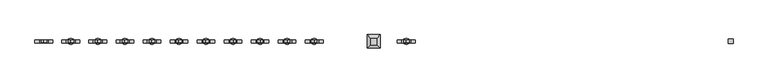
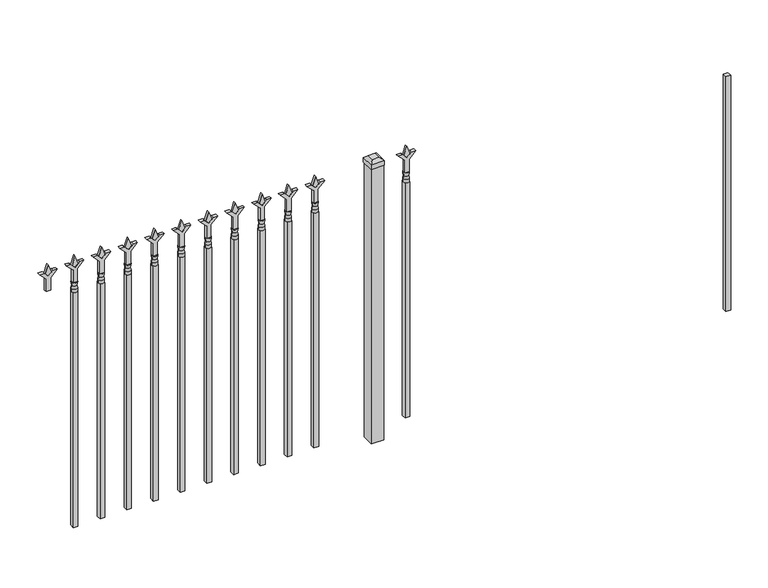
"""IFC4 building model written with IfcOpenShell, lengths in millimetres: railing geometry."""

from ifc_helpers import new_model, si_unit, frame, origin, origin_with_axes, place, context, project, spatial, polyline, circle_curve, outline, extrude, faceted_brep, source, transform, mapped, element, save
from ifc_brep_helpers import plane_surface, cylinder_surface, revolved_surface, advanced_brep


def railing_3109b3a9(model_context):
    return source(origin(), model_context, "Body", "SolidModel", [
        extrude(outline(polyline([(-76625.005587, 5470.2679826), (-76605.955587, 5470.2679826), (-76605.955587, 5451.2179826), (-76625.005587, 5451.2179826), (-76625.005587, 5470.2679826)])), frame((0.0, 0.0, 50.8), z_axis=(0.0, 0.0, 1.0), x_axis=(1.0, 0.0, 0.0)), (0.0, 0.0, 1.0), 1016.0),
        extrude(outline(polyline([(1183.48125, -77914.849337), (1219.2, -77926.755587), (1183.48125, -77938.661837), (1171.575, -77926.755587), (1183.48125, -77914.849337)])), frame((0.0, 5455.9804826, 0.0), z_axis=(0.0, 1.0, 0.0), x_axis=(0.0, 0.0, 1.0)), (0.0, 0.0, 1.0), 9.525),
        extrude(outline(polyline([(1108.075, -77918.024337), (1162.3457378, -77918.024337), (1189.5355122, -77890.8345625), (1189.5355122, -77908.7950747), (1171.575, -77926.755587), (1189.5355122, -77944.7160992), (1189.5355122, -77962.6766114), (1162.3457378, -77935.486837), (1108.075, -77935.486837), (1108.075, -77918.024337)])), frame((0.0, 5454.3929826, 0.0), z_axis=(0.0, 1.0, 0.0), x_axis=(0.0, 0.0, 1.0)), (0.0, 0.0, 1.0), 12.7),
        advanced_brep(
        [(-77914.849337, 5460.7429826, 1079.5), (-77938.661837, 5460.7429826, 1079.5), (-77938.661837, 5460.7429826, 1066.8), (-77914.849337, 5460.7429826, 1066.8), (-77917.0546688, 5460.7429826, 1092.0070585), (-77936.4565051, 5460.7429826, 1092.0070585), (-77914.849337, 5460.7429826, 1108.075), (-77938.661837, 5460.7429826, 1108.075), (-77926.755587, 5460.7429826, 1108.075), (-77926.755587, 5460.7429826, 1066.8)],
        [
            (0, 1, circle_curve(frame((-77926.755587, 5460.7429826, 1079.5), z_axis=(0.0, 0.0, -1.0), x_axis=(-1.0, 0.0, 0.0)), 11.90625)),
            (1, 2),
            (2, 3, circle_curve(frame((-77926.755587, 5460.7429826, 1066.8), z_axis=(0.0, 0.0, 1.0), x_axis=(-1.0, 0.0, 0.0)), 11.90625)),
            (3, 0),
            (1, 0, circle_curve(frame((-77926.755587, 5460.7429826, 1079.5), z_axis=(0.0, 0.0, -1.0), x_axis=(-1.0, 0.0, 0.0)), 11.90625)),
            (3, 2, circle_curve(frame((-77926.755587, 5460.7429826, 1066.8), z_axis=(0.0, 0.0, 1.0), x_axis=(-1.0, 0.0, 0.0)), 11.90625)),
            (4, 5, circle_curve(frame((-77926.755587, 5460.7429826, 1092.0070585), z_axis=(0.0, 0.0, -1.0), x_axis=(-1.0, 0.0, 0.0)), 9.7009181)),
            (5, 1),
            (0, 4),
            (5, 4, circle_curve(frame((-77926.755587, 5460.7429826, 1092.0070585), z_axis=(0.0, 0.0, -1.0), x_axis=(-1.0, 0.0, 0.0)), 9.7009181)),
            (6, 7, circle_curve(frame((-77926.755587, 5460.7429826, 1108.075), z_axis=(0.0, 0.0, -1.0), x_axis=(-1.0, 0.0, 0.0)), 11.90625)),
            (7, 5),
            (4, 6),
            (7, 6, circle_curve(frame((-77926.755587, 5460.7429826, 1108.075), z_axis=(0.0, 0.0, -1.0), x_axis=(-1.0, 0.0, 0.0)), 11.90625)),
            (8, 7),
            (6, 8),
            (2, 9),
            (9, 3),
        ],
        [
            cylinder_surface(frame((-77926.755587, 5460.7429826, 1066.8), z_axis=(0.0, 0.0, 1.0), x_axis=(-1.0, 0.0, 0.0)), 11.90625),
            revolved_surface(polyline([(-77938.661837, 5460.7429826, 1079.5), (-77936.4565051, 5460.7429826, 1092.0070585)]), (-77926.755587, 5460.7429826, 1066.8), (0.0, 0.0, 1.0)),
            revolved_surface(polyline([(-77936.4565051, 5460.7429826, 1092.0070585), (-77938.661837, 5460.7429826, 1108.075)]), (-77926.755587, 5460.7429826, 1066.8), (0.0, 0.0, 1.0)),
            plane_surface(frame((-77926.755587, 5460.7429826, 1108.075), z_axis=(0.0, 0.0, 1.0), x_axis=(-1.0, 0.0, 0.0))),
            plane_surface(frame((-77926.755587, 5460.7429826, 1066.8), z_axis=(0.0, 0.0, -1.0), x_axis=(-1.0, 0.0, 0.0))),
        ],
        [
            (0, [[1, 2, 3, 4]]),
            (0, [[5, -4, 6, -2]]),
            (1, [[7, 8, -1, 9]]),
            (1, [[10, -9, -5, -8]]),
            (2, [[11, 12, -7, 13]]),
            (2, [[14, -13, -10, -12]]),
            (3, [[15, -11, 16]]),
            (3, [[-16, -14, -15]]),
            (4, [[-3, 17, 18]]),
            (4, [[-6, -18, -17]]),
        ],
    ),
        extrude(outline(polyline([(-77936.280587, 5470.2679826), (-77917.230587, 5470.2679826), (-77917.230587, 5451.2179826), (-77936.280587, 5451.2179826), (-77936.280587, 5470.2679826)])), frame((0.0, 0.0, 50.8), z_axis=(0.0, 0.0, 1.0), x_axis=(1.0, 0.0, 0.0)), (0.0, 0.0, 1.0), 1016.0),
        extrude(outline(polyline([(-78033.118087, 5486.1429826), (-78033.118087, 5435.3429826), (-78083.918087, 5435.3429826), (-78083.918087, 5486.1429826), (-78033.118087, 5486.1429826)])), origin_with_axes(), (0.0, 0.0, 1.0), 1187.45),
        faceted_brep([(-78085.505587, 5487.7304826, 1206.5), (-78085.505587, 5487.7304826, 1187.45), (-78085.505587, 5433.7554826, 1187.45), (-78085.505587, 5433.7554826, 1206.5), (-78072.805587, 5475.0304826, 1219.2), (-78072.805587, 5446.4554826, 1219.2), (-78031.530587, 5433.7554826, 1187.45), (-78031.530587, 5433.7554826, 1206.5), (-78044.230587, 5446.4554826, 1219.2), (-78031.530587, 5487.7304826, 1187.45), (-78031.530587, 5487.7304826, 1206.5), (-78044.230587, 5475.0304826, 1219.2)], [[[0, 1, 2, 3]], [[4, 0, 3, 5]], [[3, 2, 6, 7]], [[5, 3, 7, 8]], [[7, 6, 9, 10]], [[8, 7, 10, 11]], [[10, 9, 1, 0]], [[11, 10, 0, 4]], [[5, 8, 11, 4]], [[1, 9, 6, 2]]]),
        extrude(outline(polyline([(1183.48125, -78287.6472536), (1219.2, -78299.5535036), (1183.48125, -78311.4597536), (1171.575, -78299.5535036), (1183.48125, -78287.6472536)])), frame((0.0, 5455.9804826, 0.0), z_axis=(0.0, 1.0, 0.0), x_axis=(0.0, 0.0, 1.0)), (0.0, 0.0, 1.0), 9.525),
        extrude(outline(polyline([(1108.075, -78290.8222536), (1162.3457378, -78290.8222536), (1189.5355122, -78263.6324791), (1189.5355122, -78281.5929914), (1171.575, -78299.5535036), (1189.5355122, -78317.5140159), (1189.5355122, -78335.4745281), (1162.3457378, -78308.2847536), (1108.075, -78308.2847536), (1108.075, -78290.8222536)])), frame((0.0, 5454.3929826, 0.0), z_axis=(0.0, 1.0, 0.0), x_axis=(0.0, 0.0, 1.0)), (0.0, 0.0, 1.0), 12.7),
        advanced_brep(
        [(-78287.6472536, 5460.7429826, 1079.5), (-78311.4597536, 5460.7429826, 1079.5), (-78311.4597536, 5460.7429826, 1066.8), (-78287.6472536, 5460.7429826, 1066.8), (-78289.8525855, 5460.7429826, 1092.0070585), (-78309.2544218, 5460.7429826, 1092.0070585), (-78287.6472536, 5460.7429826, 1108.075), (-78311.4597536, 5460.7429826, 1108.075), (-78299.5535036, 5460.7429826, 1108.075), (-78299.5535036, 5460.7429826, 1066.8)],
        [
            (0, 1, circle_curve(frame((-78299.5535036, 5460.7429826, 1079.5), z_axis=(0.0, 0.0, -1.0), x_axis=(-1.0, 0.0, 0.0)), 11.90625)),
            (1, 2),
            (2, 3, circle_curve(frame((-78299.5535036, 5460.7429826, 1066.8), z_axis=(0.0, 0.0, 1.0), x_axis=(-1.0, 0.0, 0.0)), 11.90625)),
            (3, 0),
            (1, 0, circle_curve(frame((-78299.5535036, 5460.7429826, 1079.5), z_axis=(0.0, 0.0, -1.0), x_axis=(-1.0, 0.0, 0.0)), 11.90625)),
            (3, 2, circle_curve(frame((-78299.5535036, 5460.7429826, 1066.8), z_axis=(0.0, 0.0, 1.0), x_axis=(-1.0, 0.0, 0.0)), 11.90625)),
            (4, 5, circle_curve(frame((-78299.5535036, 5460.7429826, 1092.0070585), z_axis=(0.0, 0.0, -1.0), x_axis=(-1.0, 0.0, 0.0)), 9.7009181)),
            (5, 1),
            (0, 4),
            (5, 4, circle_curve(frame((-78299.5535036, 5460.7429826, 1092.0070585), z_axis=(0.0, 0.0, -1.0), x_axis=(-1.0, 0.0, 0.0)), 9.7009181)),
            (6, 7, circle_curve(frame((-78299.5535036, 5460.7429826, 1108.075), z_axis=(0.0, 0.0, -1.0), x_axis=(-1.0, 0.0, 0.0)), 11.90625)),
            (7, 5),
            (4, 6),
            (7, 6, circle_curve(frame((-78299.5535036, 5460.7429826, 1108.075), z_axis=(0.0, 0.0, -1.0), x_axis=(-1.0, 0.0, 0.0)), 11.90625)),
            (8, 7),
            (6, 8),
            (2, 9),
            (9, 3),
        ],
        [
            cylinder_surface(frame((-78299.5535036, 5460.7429826, 1066.8), z_axis=(0.0, 0.0, 1.0), x_axis=(-1.0, 0.0, 0.0)), 11.90625),
            revolved_surface(polyline([(-78311.4597536, 5460.7429826, 1079.5), (-78309.2544218, 5460.7429826, 1092.0070585)]), (-78299.5535036, 5460.7429826, 1066.8), (0.0, 0.0, 1.0)),
            revolved_surface(polyline([(-78309.2544218, 5460.7429826, 1092.0070585), (-78311.4597536, 5460.7429826, 1108.075)]), (-78299.5535036, 5460.7429826, 1066.8), (0.0, 0.0, 1.0)),
            plane_surface(frame((-78299.5535036, 5460.7429826, 1108.075), z_axis=(0.0, 0.0, 1.0), x_axis=(-1.0, 0.0, 0.0))),
            plane_surface(frame((-78299.5535036, 5460.7429826, 1066.8), z_axis=(0.0, 0.0, -1.0), x_axis=(-1.0, 0.0, 0.0))),
        ],
        [
            (0, [[1, 2, 3, 4]]),
            (0, [[5, -4, 6, -2]]),
            (1, [[7, 8, -1, 9]]),
            (1, [[10, -9, -5, -8]]),
            (2, [[11, 12, -7, 13]]),
            (2, [[14, -13, -10, -12]]),
            (3, [[15, -11, 16]]),
            (3, [[-16, -14, -15]]),
            (4, [[-3, 17, 18]]),
            (4, [[-6, -18, -17]]),
        ],
    ),
        extrude(outline(polyline([(-78309.0785036, 5470.2679826), (-78290.0285036, 5470.2679826), (-78290.0285036, 5451.2179826), (-78309.0785036, 5451.2179826), (-78309.0785036, 5470.2679826)])), frame((0.0, 0.0, 50.8), z_axis=(0.0, 0.0, 1.0), x_axis=(1.0, 0.0, 0.0)), (0.0, 0.0, 1.0), 1016.0),
        extrude(outline(polyline([(1183.48125, -78396.9201703), (1219.2, -78408.8264203), (1183.48125, -78420.7326703), (1171.575, -78408.8264203), (1183.48125, -78396.9201703)])), frame((0.0, 5455.9804826, 0.0), z_axis=(0.0, 1.0, 0.0), x_axis=(0.0, 0.0, 1.0)), (0.0, 0.0, 1.0), 9.525),
        extrude(outline(polyline([(1108.075, -78400.0951703), (1162.3457378, -78400.0951703), (1189.5355122, -78372.9053958), (1189.5355122, -78390.8659081), (1171.575, -78408.8264203), (1189.5355122, -78426.7869325), (1189.5355122, -78444.7474448), (1162.3457378, -78417.5576703), (1108.075, -78417.5576703), (1108.075, -78400.0951703)])), frame((0.0, 5454.3929826, 0.0), z_axis=(0.0, 1.0, 0.0), x_axis=(0.0, 0.0, 1.0)), (0.0, 0.0, 1.0), 12.7),
        advanced_brep(
        [(-78396.9201703, 5460.7429826, 1079.5), (-78420.7326703, 5460.7429826, 1079.5), (-78420.7326703, 5460.7429826, 1066.8), (-78396.9201703, 5460.7429826, 1066.8), (-78399.1255022, 5460.7429826, 1092.0070585), (-78418.5273384, 5460.7429826, 1092.0070585), (-78396.9201703, 5460.7429826, 1108.075), (-78420.7326703, 5460.7429826, 1108.075), (-78408.8264203, 5460.7429826, 1108.075), (-78408.8264203, 5460.7429826, 1066.8)],
        [
            (0, 1, circle_curve(frame((-78408.8264203, 5460.7429826, 1079.5), z_axis=(0.0, 0.0, -1.0), x_axis=(-1.0, 0.0, 0.0)), 11.90625)),
            (1, 2),
            (2, 3, circle_curve(frame((-78408.8264203, 5460.7429826, 1066.8), z_axis=(0.0, 0.0, 1.0), x_axis=(-1.0, 0.0, 0.0)), 11.90625)),
            (3, 0),
            (1, 0, circle_curve(frame((-78408.8264203, 5460.7429826, 1079.5), z_axis=(0.0, 0.0, -1.0), x_axis=(-1.0, 0.0, 0.0)), 11.90625)),
            (3, 2, circle_curve(frame((-78408.8264203, 5460.7429826, 1066.8), z_axis=(0.0, 0.0, 1.0), x_axis=(-1.0, 0.0, 0.0)), 11.90625)),
            (4, 5, circle_curve(frame((-78408.8264203, 5460.7429826, 1092.0070585), z_axis=(0.0, 0.0, -1.0), x_axis=(-1.0, 0.0, 0.0)), 9.7009181)),
            (5, 1),
            (0, 4),
            (5, 4, circle_curve(frame((-78408.8264203, 5460.7429826, 1092.0070585), z_axis=(0.0, 0.0, -1.0), x_axis=(-1.0, 0.0, 0.0)), 9.7009181)),
            (6, 7, circle_curve(frame((-78408.8264203, 5460.7429826, 1108.075), z_axis=(0.0, 0.0, -1.0), x_axis=(-1.0, 0.0, 0.0)), 11.90625)),
            (7, 5),
            (4, 6),
            (7, 6, circle_curve(frame((-78408.8264203, 5460.7429826, 1108.075), z_axis=(0.0, 0.0, -1.0), x_axis=(-1.0, 0.0, 0.0)), 11.90625)),
            (8, 7),
            (6, 8),
            (2, 9),
            (9, 3),
        ],
        [
            cylinder_surface(frame((-78408.8264203, 5460.7429826, 1066.8), z_axis=(0.0, 0.0, 1.0), x_axis=(-1.0, 0.0, 0.0)), 11.90625),
            revolved_surface(polyline([(-78420.7326703, 5460.7429826, 1079.5), (-78418.5273384, 5460.7429826, 1092.0070585)]), (-78408.8264203, 5460.7429826, 1066.8), (0.0, 0.0, 1.0)),
            revolved_surface(polyline([(-78418.5273384, 5460.7429826, 1092.0070585), (-78420.7326703, 5460.7429826, 1108.075)]), (-78408.8264203, 5460.7429826, 1066.8), (0.0, 0.0, 1.0)),
            plane_surface(frame((-78408.8264203, 5460.7429826, 1108.075), z_axis=(0.0, 0.0, 1.0), x_axis=(-1.0, 0.0, 0.0))),
            plane_surface(frame((-78408.8264203, 5460.7429826, 1066.8), z_axis=(0.0, 0.0, -1.0), x_axis=(-1.0, 0.0, 0.0))),
        ],
        [
            (0, [[1, 2, 3, 4]]),
            (0, [[5, -4, 6, -2]]),
            (1, [[7, 8, -1, 9]]),
            (1, [[10, -9, -5, -8]]),
            (2, [[11, 12, -7, 13]]),
            (2, [[14, -13, -10, -12]]),
            (3, [[15, -11, 16]]),
            (3, [[-16, -14, -15]]),
            (4, [[-3, 17, 18]]),
            (4, [[-6, -18, -17]]),
        ],
    ),
        extrude(outline(polyline([(-78418.3514203, 5470.2679826), (-78399.3014203, 5470.2679826), (-78399.3014203, 5451.2179826), (-78418.3514203, 5451.2179826), (-78418.3514203, 5470.2679826)])), frame((0.0, 0.0, 50.8), z_axis=(0.0, 0.0, 1.0), x_axis=(1.0, 0.0, 0.0)), (0.0, 0.0, 1.0), 1016.0),
        extrude(outline(polyline([(1183.48125, -78506.193087), (1219.2, -78518.099337), (1183.48125, -78530.005587), (1171.575, -78518.099337), (1183.48125, -78506.193087)])), frame((0.0, 5455.9804826, 0.0), z_axis=(0.0, 1.0, 0.0), x_axis=(0.0, 0.0, 1.0)), (0.0, 0.0, 1.0), 9.525),
        extrude(outline(polyline([(1108.075, -78509.368087), (1162.3457378, -78509.368087), (1189.5355122, -78482.1783125), (1189.5355122, -78500.1388247), (1171.575, -78518.099337), (1189.5355122, -78536.0598492), (1189.5355122, -78554.0203614), (1162.3457378, -78526.830587), (1108.075, -78526.830587), (1108.075, -78509.368087)])), frame((0.0, 5454.3929826, 0.0), z_axis=(0.0, 1.0, 0.0), x_axis=(0.0, 0.0, 1.0)), (0.0, 0.0, 1.0), 12.7),
        advanced_brep(
        [(-78506.193087, 5460.7429826, 1079.5), (-78530.005587, 5460.7429826, 1079.5), (-78530.005587, 5460.7429826, 1066.8), (-78506.193087, 5460.7429826, 1066.8), (-78508.3984188, 5460.7429826, 1092.0070585), (-78527.8002551, 5460.7429826, 1092.0070585), (-78506.193087, 5460.7429826, 1108.075), (-78530.005587, 5460.7429826, 1108.075), (-78518.099337, 5460.7429826, 1108.075), (-78518.099337, 5460.7429826, 1066.8)],
        [
            (0, 1, circle_curve(frame((-78518.099337, 5460.7429826, 1079.5), z_axis=(0.0, 0.0, -1.0), x_axis=(-1.0, 0.0, 0.0)), 11.90625)),
            (1, 2),
            (2, 3, circle_curve(frame((-78518.099337, 5460.7429826, 1066.8), z_axis=(0.0, 0.0, 1.0), x_axis=(-1.0, 0.0, 0.0)), 11.90625)),
            (3, 0),
            (1, 0, circle_curve(frame((-78518.099337, 5460.7429826, 1079.5), z_axis=(0.0, 0.0, -1.0), x_axis=(-1.0, 0.0, 0.0)), 11.90625)),
            (3, 2, circle_curve(frame((-78518.099337, 5460.7429826, 1066.8), z_axis=(0.0, 0.0, 1.0), x_axis=(-1.0, 0.0, 0.0)), 11.90625)),
            (4, 5, circle_curve(frame((-78518.099337, 5460.7429826, 1092.0070585), z_axis=(0.0, 0.0, -1.0), x_axis=(-1.0, 0.0, 0.0)), 9.7009181)),
            (5, 1),
            (0, 4),
            (5, 4, circle_curve(frame((-78518.099337, 5460.7429826, 1092.0070585), z_axis=(0.0, 0.0, -1.0), x_axis=(-1.0, 0.0, 0.0)), 9.7009181)),
            (6, 7, circle_curve(frame((-78518.099337, 5460.7429826, 1108.075), z_axis=(0.0, 0.0, -1.0), x_axis=(-1.0, 0.0, 0.0)), 11.90625)),
            (7, 5),
            (4, 6),
            (7, 6, circle_curve(frame((-78518.099337, 5460.7429826, 1108.075), z_axis=(0.0, 0.0, -1.0), x_axis=(-1.0, 0.0, 0.0)), 11.90625)),
            (8, 7),
            (6, 8),
            (2, 9),
            (9, 3),
        ],
        [
            cylinder_surface(frame((-78518.099337, 5460.7429826, 1066.8), z_axis=(0.0, 0.0, 1.0), x_axis=(-1.0, 0.0, 0.0)), 11.90625),
            revolved_surface(polyline([(-78530.005587, 5460.7429826, 1079.5), (-78527.8002551, 5460.7429826, 1092.0070585)]), (-78518.099337, 5460.7429826, 1066.8), (0.0, 0.0, 1.0)),
            revolved_surface(polyline([(-78527.8002551, 5460.7429826, 1092.0070585), (-78530.005587, 5460.7429826, 1108.075)]), (-78518.099337, 5460.7429826, 1066.8), (0.0, 0.0, 1.0)),
            plane_surface(frame((-78518.099337, 5460.7429826, 1108.075), z_axis=(0.0, 0.0, 1.0), x_axis=(-1.0, 0.0, 0.0))),
            plane_surface(frame((-78518.099337, 5460.7429826, 1066.8), z_axis=(0.0, 0.0, -1.0), x_axis=(-1.0, 0.0, 0.0))),
        ],
        [
            (0, [[1, 2, 3, 4]]),
            (0, [[5, -4, 6, -2]]),
            (1, [[7, 8, -1, 9]]),
            (1, [[10, -9, -5, -8]]),
            (2, [[11, 12, -7, 13]]),
            (2, [[14, -13, -10, -12]]),
            (3, [[15, -11, 16]]),
            (3, [[-16, -14, -15]]),
            (4, [[-3, 17, 18]]),
            (4, [[-6, -18, -17]]),
        ],
    ),
        extrude(outline(polyline([(-78527.624337, 5470.2679826), (-78508.574337, 5470.2679826), (-78508.574337, 5451.2179826), (-78527.624337, 5451.2179826), (-78527.624337, 5470.2679826)])), frame((0.0, 0.0, 50.8), z_axis=(0.0, 0.0, 1.0), x_axis=(1.0, 0.0, 0.0)), (0.0, 0.0, 1.0), 1016.0),
        extrude(outline(polyline([(1183.48125, -78615.4660036), (1219.2, -78627.3722536), (1183.48125, -78639.2785036), (1171.575, -78627.3722536), (1183.48125, -78615.4660036)])), frame((0.0, 5455.9804826, 0.0), z_axis=(0.0, 1.0, 0.0), x_axis=(0.0, 0.0, 1.0)), (0.0, 0.0, 1.0), 9.525),
        extrude(outline(polyline([(1108.075, -78618.6410036), (1162.3457378, -78618.6410036), (1189.5355122, -78591.4512291), (1189.5355122, -78609.4117414), (1171.575, -78627.3722536), (1189.5355122, -78645.3327659), (1189.5355122, -78663.2932781), (1162.3457378, -78636.1035036), (1108.075, -78636.1035036), (1108.075, -78618.6410036)])), frame((0.0, 5454.3929826, 0.0), z_axis=(0.0, 1.0, 0.0), x_axis=(0.0, 0.0, 1.0)), (0.0, 0.0, 1.0), 12.7),
        advanced_brep(
        [(-78615.4660036, 5460.7429826, 1079.5), (-78639.2785036, 5460.7429826, 1079.5), (-78639.2785036, 5460.7429826, 1066.8), (-78615.4660036, 5460.7429826, 1066.8), (-78617.6713355, 5460.7429826, 1092.0070585), (-78637.0731718, 5460.7429826, 1092.0070585), (-78615.4660036, 5460.7429826, 1108.075), (-78639.2785036, 5460.7429826, 1108.075), (-78627.3722536, 5460.7429826, 1108.075), (-78627.3722536, 5460.7429826, 1066.8)],
        [
            (0, 1, circle_curve(frame((-78627.3722536, 5460.7429826, 1079.5), z_axis=(0.0, 0.0, -1.0), x_axis=(-1.0, 0.0, 0.0)), 11.90625)),
            (1, 2),
            (2, 3, circle_curve(frame((-78627.3722536, 5460.7429826, 1066.8), z_axis=(0.0, 0.0, 1.0), x_axis=(-1.0, 0.0, 0.0)), 11.90625)),
            (3, 0),
            (1, 0, circle_curve(frame((-78627.3722536, 5460.7429826, 1079.5), z_axis=(0.0, 0.0, -1.0), x_axis=(-1.0, 0.0, 0.0)), 11.90625)),
            (3, 2, circle_curve(frame((-78627.3722536, 5460.7429826, 1066.8), z_axis=(0.0, 0.0, 1.0), x_axis=(-1.0, 0.0, 0.0)), 11.90625)),
            (4, 5, circle_curve(frame((-78627.3722536, 5460.7429826, 1092.0070585), z_axis=(0.0, 0.0, -1.0), x_axis=(-1.0, 0.0, 0.0)), 9.7009181)),
            (5, 1),
            (0, 4),
            (5, 4, circle_curve(frame((-78627.3722536, 5460.7429826, 1092.0070585), z_axis=(0.0, 0.0, -1.0), x_axis=(-1.0, 0.0, 0.0)), 9.7009181)),
            (6, 7, circle_curve(frame((-78627.3722536, 5460.7429826, 1108.075), z_axis=(0.0, 0.0, -1.0), x_axis=(-1.0, 0.0, 0.0)), 11.90625)),
            (7, 5),
            (4, 6),
            (7, 6, circle_curve(frame((-78627.3722536, 5460.7429826, 1108.075), z_axis=(0.0, 0.0, -1.0), x_axis=(-1.0, 0.0, 0.0)), 11.90625)),
            (8, 7),
            (6, 8),
            (2, 9),
            (9, 3),
        ],
        [
            cylinder_surface(frame((-78627.3722536, 5460.7429826, 1066.8), z_axis=(0.0, 0.0, 1.0), x_axis=(-1.0, 0.0, 0.0)), 11.90625),
            revolved_surface(polyline([(-78639.2785036, 5460.7429826, 1079.5), (-78637.0731718, 5460.7429826, 1092.0070585)]), (-78627.3722536, 5460.7429826, 1066.8), (0.0, 0.0, 1.0)),
            revolved_surface(polyline([(-78637.0731718, 5460.7429826, 1092.0070585), (-78639.2785036, 5460.7429826, 1108.075)]), (-78627.3722536, 5460.7429826, 1066.8), (0.0, 0.0, 1.0)),
            plane_surface(frame((-78627.3722536, 5460.7429826, 1108.075), z_axis=(0.0, 0.0, 1.0), x_axis=(-1.0, 0.0, 0.0))),
            plane_surface(frame((-78627.3722536, 5460.7429826, 1066.8), z_axis=(0.0, 0.0, -1.0), x_axis=(-1.0, 0.0, 0.0))),
        ],
        [
            (0, [[1, 2, 3, 4]]),
            (0, [[5, -4, 6, -2]]),
            (1, [[7, 8, -1, 9]]),
            (1, [[10, -9, -5, -8]]),
            (2, [[11, 12, -7, 13]]),
            (2, [[14, -13, -10, -12]]),
            (3, [[15, -11, 16]]),
            (3, [[-16, -14, -15]]),
            (4, [[-3, 17, 18]]),
            (4, [[-6, -18, -17]]),
        ],
    ),
        extrude(outline(polyline([(-78636.8972536, 5470.2679826), (-78617.8472536, 5470.2679826), (-78617.8472536, 5451.2179826), (-78636.8972536, 5451.2179826), (-78636.8972536, 5470.2679826)])), frame((0.0, 0.0, 50.8), z_axis=(0.0, 0.0, 1.0), x_axis=(1.0, 0.0, 0.0)), (0.0, 0.0, 1.0), 1016.0),
        extrude(outline(polyline([(1183.48125, -78724.7389203), (1219.2, -78736.6451703), (1183.48125, -78748.5514203), (1171.575, -78736.6451703), (1183.48125, -78724.7389203)])), frame((0.0, 5455.9804826, 0.0), z_axis=(0.0, 1.0, 0.0), x_axis=(0.0, 0.0, 1.0)), (0.0, 0.0, 1.0), 9.525),
        extrude(outline(polyline([(1108.075, -78727.9139203), (1162.3457378, -78727.9139203), (1189.5355122, -78700.7241458), (1189.5355122, -78718.6846581), (1171.575, -78736.6451703), (1189.5355122, -78754.6056825), (1189.5355122, -78772.5661948), (1162.3457378, -78745.3764203), (1108.075, -78745.3764203), (1108.075, -78727.9139203)])), frame((0.0, 5454.3929826, 0.0), z_axis=(0.0, 1.0, 0.0), x_axis=(0.0, 0.0, 1.0)), (0.0, 0.0, 1.0), 12.7),
        advanced_brep(
        [(-78724.7389203, 5460.7429826, 1079.5), (-78748.5514203, 5460.7429826, 1079.5), (-78748.5514203, 5460.7429826, 1066.8), (-78724.7389203, 5460.7429826, 1066.8), (-78726.9442522, 5460.7429826, 1092.0070585), (-78746.3460884, 5460.7429826, 1092.0070585), (-78724.7389203, 5460.7429826, 1108.075), (-78748.5514203, 5460.7429826, 1108.075), (-78736.6451703, 5460.7429826, 1108.075), (-78736.6451703, 5460.7429826, 1066.8)],
        [
            (0, 1, circle_curve(frame((-78736.6451703, 5460.7429826, 1079.5), z_axis=(0.0, 0.0, -1.0), x_axis=(-1.0, 0.0, 0.0)), 11.90625)),
            (1, 2),
            (2, 3, circle_curve(frame((-78736.6451703, 5460.7429826, 1066.8), z_axis=(0.0, 0.0, 1.0), x_axis=(-1.0, 0.0, 0.0)), 11.90625)),
            (3, 0),
            (1, 0, circle_curve(frame((-78736.6451703, 5460.7429826, 1079.5), z_axis=(0.0, 0.0, -1.0), x_axis=(-1.0, 0.0, 0.0)), 11.90625)),
            (3, 2, circle_curve(frame((-78736.6451703, 5460.7429826, 1066.8), z_axis=(0.0, 0.0, 1.0), x_axis=(-1.0, 0.0, 0.0)), 11.90625)),
            (4, 5, circle_curve(frame((-78736.6451703, 5460.7429826, 1092.0070585), z_axis=(0.0, 0.0, -1.0), x_axis=(-1.0, 0.0, 0.0)), 9.7009181)),
            (5, 1),
            (0, 4),
            (5, 4, circle_curve(frame((-78736.6451703, 5460.7429826, 1092.0070585), z_axis=(0.0, 0.0, -1.0), x_axis=(-1.0, 0.0, 0.0)), 9.7009181)),
            (6, 7, circle_curve(frame((-78736.6451703, 5460.7429826, 1108.075), z_axis=(0.0, 0.0, -1.0), x_axis=(-1.0, 0.0, 0.0)), 11.90625)),
            (7, 5),
            (4, 6),
            (7, 6, circle_curve(frame((-78736.6451703, 5460.7429826, 1108.075), z_axis=(0.0, 0.0, -1.0), x_axis=(-1.0, 0.0, 0.0)), 11.90625)),
            (8, 7),
            (6, 8),
            (2, 9),
            (9, 3),
        ],
        [
            cylinder_surface(frame((-78736.6451703, 5460.7429826, 1066.8), z_axis=(0.0, 0.0, 1.0), x_axis=(-1.0, 0.0, 0.0)), 11.90625),
            revolved_surface(polyline([(-78748.5514203, 5460.7429826, 1079.5), (-78746.3460884, 5460.7429826, 1092.0070585)]), (-78736.6451703, 5460.7429826, 1066.8), (0.0, 0.0, 1.0)),
            revolved_surface(polyline([(-78746.3460884, 5460.7429826, 1092.0070585), (-78748.5514203, 5460.7429826, 1108.075)]), (-78736.6451703, 5460.7429826, 1066.8), (0.0, 0.0, 1.0)),
            plane_surface(frame((-78736.6451703, 5460.7429826, 1108.075), z_axis=(0.0, 0.0, 1.0), x_axis=(-1.0, 0.0, 0.0))),
            plane_surface(frame((-78736.6451703, 5460.7429826, 1066.8), z_axis=(0.0, 0.0, -1.0), x_axis=(-1.0, 0.0, 0.0))),
        ],
        [
            (0, [[1, 2, 3, 4]]),
            (0, [[5, -4, 6, -2]]),
            (1, [[7, 8, -1, 9]]),
            (1, [[10, -9, -5, -8]]),
            (2, [[11, 12, -7, 13]]),
            (2, [[14, -13, -10, -12]]),
            (3, [[15, -11, 16]]),
            (3, [[-16, -14, -15]]),
            (4, [[-3, 17, 18]]),
            (4, [[-6, -18, -17]]),
        ],
    ),
        extrude(outline(polyline([(-78746.1701703, 5470.2679826), (-78727.1201703, 5470.2679826), (-78727.1201703, 5451.2179826), (-78746.1701703, 5451.2179826), (-78746.1701703, 5470.2679826)])), frame((0.0, 0.0, 50.8), z_axis=(0.0, 0.0, 1.0), x_axis=(1.0, 0.0, 0.0)), (0.0, 0.0, 1.0), 1016.0),
        extrude(outline(polyline([(1183.48125, -78834.011837), (1219.2, -78845.918087), (1183.48125, -78857.824337), (1171.575, -78845.918087), (1183.48125, -78834.011837)])), frame((0.0, 5455.9804826, 0.0), z_axis=(0.0, 1.0, 0.0), x_axis=(0.0, 0.0, 1.0)), (0.0, 0.0, 1.0), 9.525),
        extrude(outline(polyline([(1108.075, -78837.186837), (1162.3457378, -78837.186837), (1189.5355122, -78809.9970625), (1189.5355122, -78827.9575747), (1171.575, -78845.918087), (1189.5355122, -78863.8785992), (1189.5355122, -78881.8391114), (1162.3457378, -78854.649337), (1108.075, -78854.649337), (1108.075, -78837.186837)])), frame((0.0, 5454.3929826, 0.0), z_axis=(0.0, 1.0, 0.0), x_axis=(0.0, 0.0, 1.0)), (0.0, 0.0, 1.0), 12.7),
        advanced_brep(
        [(-78834.011837, 5460.7429826, 1079.5), (-78857.824337, 5460.7429826, 1079.5), (-78857.824337, 5460.7429826, 1066.8), (-78834.011837, 5460.7429826, 1066.8), (-78836.2171688, 5460.7429826, 1092.0070585), (-78855.6190051, 5460.7429826, 1092.0070585), (-78834.011837, 5460.7429826, 1108.075), (-78857.824337, 5460.7429826, 1108.075), (-78845.918087, 5460.7429826, 1108.075), (-78845.918087, 5460.7429826, 1066.8)],
        [
            (0, 1, circle_curve(frame((-78845.918087, 5460.7429826, 1079.5), z_axis=(0.0, 0.0, -1.0), x_axis=(-1.0, 0.0, 0.0)), 11.90625)),
            (1, 2),
            (2, 3, circle_curve(frame((-78845.918087, 5460.7429826, 1066.8), z_axis=(0.0, 0.0, 1.0), x_axis=(-1.0, 0.0, 0.0)), 11.90625)),
            (3, 0),
            (1, 0, circle_curve(frame((-78845.918087, 5460.7429826, 1079.5), z_axis=(0.0, 0.0, -1.0), x_axis=(-1.0, 0.0, 0.0)), 11.90625)),
            (3, 2, circle_curve(frame((-78845.918087, 5460.7429826, 1066.8), z_axis=(0.0, 0.0, 1.0), x_axis=(-1.0, 0.0, 0.0)), 11.90625)),
            (4, 5, circle_curve(frame((-78845.918087, 5460.7429826, 1092.0070585), z_axis=(0.0, 0.0, -1.0), x_axis=(-1.0, 0.0, 0.0)), 9.7009181)),
            (5, 1),
            (0, 4),
            (5, 4, circle_curve(frame((-78845.918087, 5460.7429826, 1092.0070585), z_axis=(0.0, 0.0, -1.0), x_axis=(-1.0, 0.0, 0.0)), 9.7009181)),
            (6, 7, circle_curve(frame((-78845.918087, 5460.7429826, 1108.075), z_axis=(0.0, 0.0, -1.0), x_axis=(-1.0, 0.0, 0.0)), 11.90625)),
            (7, 5),
            (4, 6),
            (7, 6, circle_curve(frame((-78845.918087, 5460.7429826, 1108.075), z_axis=(0.0, 0.0, -1.0), x_axis=(-1.0, 0.0, 0.0)), 11.90625)),
            (8, 7),
            (6, 8),
            (2, 9),
            (9, 3),
        ],
        [
            cylinder_surface(frame((-78845.918087, 5460.7429826, 1066.8), z_axis=(0.0, 0.0, 1.0), x_axis=(-1.0, 0.0, 0.0)), 11.90625),
            revolved_surface(polyline([(-78857.824337, 5460.7429826, 1079.5), (-78855.6190051, 5460.7429826, 1092.0070585)]), (-78845.918087, 5460.7429826, 1066.8), (0.0, 0.0, 1.0)),
            revolved_surface(polyline([(-78855.6190051, 5460.7429826, 1092.0070585), (-78857.824337, 5460.7429826, 1108.075)]), (-78845.918087, 5460.7429826, 1066.8), (0.0, 0.0, 1.0)),
            plane_surface(frame((-78845.918087, 5460.7429826, 1108.075), z_axis=(0.0, 0.0, 1.0), x_axis=(-1.0, 0.0, 0.0))),
            plane_surface(frame((-78845.918087, 5460.7429826, 1066.8), z_axis=(0.0, 0.0, -1.0), x_axis=(-1.0, 0.0, 0.0))),
        ],
        [
            (0, [[1, 2, 3, 4]]),
            (0, [[5, -4, 6, -2]]),
            (1, [[7, 8, -1, 9]]),
            (1, [[10, -9, -5, -8]]),
            (2, [[11, 12, -7, 13]]),
            (2, [[14, -13, -10, -12]]),
            (3, [[15, -11, 16]]),
            (3, [[-16, -14, -15]]),
            (4, [[-3, 17, 18]]),
            (4, [[-6, -18, -17]]),
        ],
    ),
        extrude(outline(polyline([(-78855.443087, 5470.2679826), (-78836.393087, 5470.2679826), (-78836.393087, 5451.2179826), (-78855.443087, 5451.2179826), (-78855.443087, 5470.2679826)])), frame((0.0, 0.0, 50.8), z_axis=(0.0, 0.0, 1.0), x_axis=(1.0, 0.0, 0.0)), (0.0, 0.0, 1.0), 1016.0),
        extrude(outline(polyline([(1183.48125, -78943.2847536), (1219.2, -78955.1910036), (1183.48125, -78967.0972536), (1171.575, -78955.1910036), (1183.48125, -78943.2847536)])), frame((0.0, 5455.9804826, 0.0), z_axis=(0.0, 1.0, 0.0), x_axis=(0.0, 0.0, 1.0)), (0.0, 0.0, 1.0), 9.525),
        extrude(outline(polyline([(1108.075, -78946.4597536), (1162.3457378, -78946.4597536), (1189.5355122, -78919.2699791), (1189.5355122, -78937.2304914), (1171.575, -78955.1910036), (1189.5355122, -78973.1515159), (1189.5355122, -78991.1120281), (1162.3457378, -78963.9222536), (1108.075, -78963.9222536), (1108.075, -78946.4597536)])), frame((0.0, 5454.3929826, 0.0), z_axis=(0.0, 1.0, 0.0), x_axis=(0.0, 0.0, 1.0)), (0.0, 0.0, 1.0), 12.7),
        advanced_brep(
        [(-78943.2847536, 5460.7429826, 1079.5), (-78967.0972536, 5460.7429826, 1079.5), (-78967.0972536, 5460.7429826, 1066.8), (-78943.2847536, 5460.7429826, 1066.8), (-78945.4900855, 5460.7429826, 1092.0070585), (-78964.8919218, 5460.7429826, 1092.0070585), (-78943.2847536, 5460.7429826, 1108.075), (-78967.0972536, 5460.7429826, 1108.075), (-78955.1910036, 5460.7429826, 1108.075), (-78955.1910036, 5460.7429826, 1066.8)],
        [
            (0, 1, circle_curve(frame((-78955.1910036, 5460.7429826, 1079.5), z_axis=(0.0, 0.0, -1.0), x_axis=(-1.0, 0.0, 0.0)), 11.90625)),
            (1, 2),
            (2, 3, circle_curve(frame((-78955.1910036, 5460.7429826, 1066.8), z_axis=(0.0, 0.0, 1.0), x_axis=(-1.0, 0.0, 0.0)), 11.90625)),
            (3, 0),
            (1, 0, circle_curve(frame((-78955.1910036, 5460.7429826, 1079.5), z_axis=(0.0, 0.0, -1.0), x_axis=(-1.0, 0.0, 0.0)), 11.90625)),
            (3, 2, circle_curve(frame((-78955.1910036, 5460.7429826, 1066.8), z_axis=(0.0, 0.0, 1.0), x_axis=(-1.0, 0.0, 0.0)), 11.90625)),
            (4, 5, circle_curve(frame((-78955.1910036, 5460.7429826, 1092.0070585), z_axis=(0.0, 0.0, -1.0), x_axis=(-1.0, 0.0, 0.0)), 9.7009181)),
            (5, 1),
            (0, 4),
            (5, 4, circle_curve(frame((-78955.1910036, 5460.7429826, 1092.0070585), z_axis=(0.0, 0.0, -1.0), x_axis=(-1.0, 0.0, 0.0)), 9.7009181)),
            (6, 7, circle_curve(frame((-78955.1910036, 5460.7429826, 1108.075), z_axis=(0.0, 0.0, -1.0), x_axis=(-1.0, 0.0, 0.0)), 11.90625)),
            (7, 5),
            (4, 6),
            (7, 6, circle_curve(frame((-78955.1910036, 5460.7429826, 1108.075), z_axis=(0.0, 0.0, -1.0), x_axis=(-1.0, 0.0, 0.0)), 11.90625)),
            (8, 7),
            (6, 8),
            (2, 9),
            (9, 3),
        ],
        [
            cylinder_surface(frame((-78955.1910036, 5460.7429826, 1066.8), z_axis=(0.0, 0.0, 1.0), x_axis=(-1.0, 0.0, 0.0)), 11.90625),
            revolved_surface(polyline([(-78967.0972536, 5460.7429826, 1079.5), (-78964.8919218, 5460.7429826, 1092.0070585)]), (-78955.1910036, 5460.7429826, 1066.8), (0.0, 0.0, 1.0)),
            revolved_surface(polyline([(-78964.8919218, 5460.7429826, 1092.0070585), (-78967.0972536, 5460.7429826, 1108.075)]), (-78955.1910036, 5460.7429826, 1066.8), (0.0, 0.0, 1.0)),
            plane_surface(frame((-78955.1910036, 5460.7429826, 1108.075), z_axis=(0.0, 0.0, 1.0), x_axis=(-1.0, 0.0, 0.0))),
            plane_surface(frame((-78955.1910036, 5460.7429826, 1066.8), z_axis=(0.0, 0.0, -1.0), x_axis=(-1.0, 0.0, 0.0))),
        ],
        [
            (0, [[1, 2, 3, 4]]),
            (0, [[5, -4, 6, -2]]),
            (1, [[7, 8, -1, 9]]),
            (1, [[10, -9, -5, -8]]),
            (2, [[11, 12, -7, 13]]),
            (2, [[14, -13, -10, -12]]),
            (3, [[15, -11, 16]]),
            (3, [[-16, -14, -15]]),
            (4, [[-3, 17, 18]]),
            (4, [[-6, -18, -17]]),
        ],
    ),
        extrude(outline(polyline([(-78964.7160036, 5470.2679826), (-78945.6660036, 5470.2679826), (-78945.6660036, 5451.2179826), (-78964.7160036, 5451.2179826), (-78964.7160036, 5470.2679826)])), frame((0.0, 0.0, 50.8), z_axis=(0.0, 0.0, 1.0), x_axis=(1.0, 0.0, 0.0)), (0.0, 0.0, 1.0), 1016.0),
        extrude(outline(polyline([(1183.48125, -79052.5576703), (1219.2, -79064.4639203), (1183.48125, -79076.3701703), (1171.575, -79064.4639203), (1183.48125, -79052.5576703)])), frame((0.0, 5455.9804826, 0.0), z_axis=(0.0, 1.0, 0.0), x_axis=(0.0, 0.0, 1.0)), (0.0, 0.0, 1.0), 9.525),
        extrude(outline(polyline([(1108.075, -79055.7326703), (1162.3457378, -79055.7326703), (1189.5355122, -79028.5428958), (1189.5355122, -79046.5034081), (1171.575, -79064.4639203), (1189.5355122, -79082.4244325), (1189.5355122, -79100.3849448), (1162.3457378, -79073.1951703), (1108.075, -79073.1951703), (1108.075, -79055.7326703)])), frame((0.0, 5454.3929826, 0.0), z_axis=(0.0, 1.0, 0.0), x_axis=(0.0, 0.0, 1.0)), (0.0, 0.0, 1.0), 12.7),
        advanced_brep(
        [(-79052.5576703, 5460.7429826, 1079.5), (-79076.3701703, 5460.7429826, 1079.5), (-79076.3701703, 5460.7429826, 1066.8), (-79052.5576703, 5460.7429826, 1066.8), (-79054.7630022, 5460.7429826, 1092.0070585), (-79074.1648384, 5460.7429826, 1092.0070585), (-79052.5576703, 5460.7429826, 1108.075), (-79076.3701703, 5460.7429826, 1108.075), (-79064.4639203, 5460.7429826, 1108.075), (-79064.4639203, 5460.7429826, 1066.8)],
        [
            (0, 1, circle_curve(frame((-79064.4639203, 5460.7429826, 1079.5), z_axis=(0.0, 0.0, -1.0), x_axis=(-1.0, 0.0, 0.0)), 11.90625)),
            (1, 2),
            (2, 3, circle_curve(frame((-79064.4639203, 5460.7429826, 1066.8), z_axis=(0.0, 0.0, 1.0), x_axis=(-1.0, 0.0, 0.0)), 11.90625)),
            (3, 0),
            (1, 0, circle_curve(frame((-79064.4639203, 5460.7429826, 1079.5), z_axis=(0.0, 0.0, -1.0), x_axis=(-1.0, 0.0, 0.0)), 11.90625)),
            (3, 2, circle_curve(frame((-79064.4639203, 5460.7429826, 1066.8), z_axis=(0.0, 0.0, 1.0), x_axis=(-1.0, 0.0, 0.0)), 11.90625)),
            (4, 5, circle_curve(frame((-79064.4639203, 5460.7429826, 1092.0070585), z_axis=(0.0, 0.0, -1.0), x_axis=(-1.0, 0.0, 0.0)), 9.7009181)),
            (5, 1),
            (0, 4),
            (5, 4, circle_curve(frame((-79064.4639203, 5460.7429826, 1092.0070585), z_axis=(0.0, 0.0, -1.0), x_axis=(-1.0, 0.0, 0.0)), 9.7009181)),
            (6, 7, circle_curve(frame((-79064.4639203, 5460.7429826, 1108.075), z_axis=(0.0, 0.0, -1.0), x_axis=(-1.0, 0.0, 0.0)), 11.90625)),
            (7, 5),
            (4, 6),
            (7, 6, circle_curve(frame((-79064.4639203, 5460.7429826, 1108.075), z_axis=(0.0, 0.0, -1.0), x_axis=(-1.0, 0.0, 0.0)), 11.90625)),
            (8, 7),
            (6, 8),
            (2, 9),
            (9, 3),
        ],
        [
            cylinder_surface(frame((-79064.4639203, 5460.7429826, 1066.8), z_axis=(0.0, 0.0, 1.0), x_axis=(-1.0, 0.0, 0.0)), 11.90625),
            revolved_surface(polyline([(-79076.3701703, 5460.7429826, 1079.5), (-79074.1648384, 5460.7429826, 1092.0070585)]), (-79064.4639203, 5460.7429826, 1066.8), (0.0, 0.0, 1.0)),
            revolved_surface(polyline([(-79074.1648384, 5460.7429826, 1092.0070585), (-79076.3701703, 5460.7429826, 1108.075)]), (-79064.4639203, 5460.7429826, 1066.8), (0.0, 0.0, 1.0)),
            plane_surface(frame((-79064.4639203, 5460.7429826, 1108.075), z_axis=(0.0, 0.0, 1.0), x_axis=(-1.0, 0.0, 0.0))),
            plane_surface(frame((-79064.4639203, 5460.7429826, 1066.8), z_axis=(0.0, 0.0, -1.0), x_axis=(-1.0, 0.0, 0.0))),
        ],
        [
            (0, [[1, 2, 3, 4]]),
            (0, [[5, -4, 6, -2]]),
            (1, [[7, 8, -1, 9]]),
            (1, [[10, -9, -5, -8]]),
            (2, [[11, 12, -7, 13]]),
            (2, [[14, -13, -10, -12]]),
            (3, [[15, -11, 16]]),
            (3, [[-16, -14, -15]]),
            (4, [[-3, 17, 18]]),
            (4, [[-6, -18, -17]]),
        ],
    ),
        extrude(outline(polyline([(-79073.9889203, 5470.2679826), (-79054.9389203, 5470.2679826), (-79054.9389203, 5451.2179826), (-79073.9889203, 5451.2179826), (-79073.9889203, 5470.2679826)])), frame((0.0, 0.0, 50.8), z_axis=(0.0, 0.0, 1.0), x_axis=(1.0, 0.0, 0.0)), (0.0, 0.0, 1.0), 1016.0),
        extrude(outline(polyline([(1183.48125, -79161.830587), (1219.2, -79173.736837), (1183.48125, -79185.643087), (1171.575, -79173.736837), (1183.48125, -79161.830587)])), frame((0.0, 5455.9804826, 0.0), z_axis=(0.0, 1.0, 0.0), x_axis=(0.0, 0.0, 1.0)), (0.0, 0.0, 1.0), 9.525),
        extrude(outline(polyline([(1108.075, -79165.005587), (1162.3457378, -79165.005587), (1189.5355122, -79137.8158125), (1189.5355122, -79155.7763247), (1171.575, -79173.736837), (1189.5355122, -79191.6973492), (1189.5355122, -79209.6578614), (1162.3457378, -79182.468087), (1108.075, -79182.468087), (1108.075, -79165.005587)])), frame((0.0, 5454.3929826, 0.0), z_axis=(0.0, 1.0, 0.0), x_axis=(0.0, 0.0, 1.0)), (0.0, 0.0, 1.0), 12.7),
        advanced_brep(
        [(-79161.830587, 5460.7429826, 1079.5), (-79185.643087, 5460.7429826, 1079.5), (-79185.643087, 5460.7429826, 1066.8), (-79161.830587, 5460.7429826, 1066.8), (-79164.0359188, 5460.7429826, 1092.0070585), (-79183.4377551, 5460.7429826, 1092.0070585), (-79161.830587, 5460.7429826, 1108.075), (-79185.643087, 5460.7429826, 1108.075), (-79173.736837, 5460.7429826, 1108.075), (-79173.736837, 5460.7429826, 1066.8)],
        [
            (0, 1, circle_curve(frame((-79173.736837, 5460.7429826, 1079.5), z_axis=(0.0, 0.0, -1.0), x_axis=(-1.0, 0.0, 0.0)), 11.90625)),
            (1, 2),
            (2, 3, circle_curve(frame((-79173.736837, 5460.7429826, 1066.8), z_axis=(0.0, 0.0, 1.0), x_axis=(-1.0, 0.0, 0.0)), 11.90625)),
            (3, 0),
            (1, 0, circle_curve(frame((-79173.736837, 5460.7429826, 1079.5), z_axis=(0.0, 0.0, -1.0), x_axis=(-1.0, 0.0, 0.0)), 11.90625)),
            (3, 2, circle_curve(frame((-79173.736837, 5460.7429826, 1066.8), z_axis=(0.0, 0.0, 1.0), x_axis=(-1.0, 0.0, 0.0)), 11.90625)),
            (4, 5, circle_curve(frame((-79173.736837, 5460.7429826, 1092.0070585), z_axis=(0.0, 0.0, -1.0), x_axis=(-1.0, 0.0, 0.0)), 9.7009181)),
            (5, 1),
            (0, 4),
            (5, 4, circle_curve(frame((-79173.736837, 5460.7429826, 1092.0070585), z_axis=(0.0, 0.0, -1.0), x_axis=(-1.0, 0.0, 0.0)), 9.7009181)),
            (6, 7, circle_curve(frame((-79173.736837, 5460.7429826, 1108.075), z_axis=(0.0, 0.0, -1.0), x_axis=(-1.0, 0.0, 0.0)), 11.90625)),
            (7, 5),
            (4, 6),
            (7, 6, circle_curve(frame((-79173.736837, 5460.7429826, 1108.075), z_axis=(0.0, 0.0, -1.0), x_axis=(-1.0, 0.0, 0.0)), 11.90625)),
            (8, 7),
            (6, 8),
            (2, 9),
            (9, 3),
        ],
        [
            cylinder_surface(frame((-79173.736837, 5460.7429826, 1066.8), z_axis=(0.0, 0.0, 1.0), x_axis=(-1.0, 0.0, 0.0)), 11.90625),
            revolved_surface(polyline([(-79185.643087, 5460.7429826, 1079.5), (-79183.4377551, 5460.7429826, 1092.0070585)]), (-79173.736837, 5460.7429826, 1066.8), (0.0, 0.0, 1.0)),
            revolved_surface(polyline([(-79183.4377551, 5460.7429826, 1092.0070585), (-79185.643087, 5460.7429826, 1108.075)]), (-79173.736837, 5460.7429826, 1066.8), (0.0, 0.0, 1.0)),
            plane_surface(frame((-79173.736837, 5460.7429826, 1108.075), z_axis=(0.0, 0.0, 1.0), x_axis=(-1.0, 0.0, 0.0))),
            plane_surface(frame((-79173.736837, 5460.7429826, 1066.8), z_axis=(0.0, 0.0, -1.0), x_axis=(-1.0, 0.0, 0.0))),
        ],
        [
            (0, [[1, 2, 3, 4]]),
            (0, [[5, -4, 6, -2]]),
            (1, [[7, 8, -1, 9]]),
            (1, [[10, -9, -5, -8]]),
            (2, [[11, 12, -7, 13]]),
            (2, [[14, -13, -10, -12]]),
            (3, [[15, -11, 16]]),
            (3, [[-16, -14, -15]]),
            (4, [[-3, 17, 18]]),
            (4, [[-6, -18, -17]]),
        ],
    ),
        extrude(outline(polyline([(-79183.261837, 5470.2679826), (-79164.211837, 5470.2679826), (-79164.211837, 5451.2179826), (-79183.261837, 5451.2179826), (-79183.261837, 5470.2679826)])), frame((0.0, 0.0, 50.8), z_axis=(0.0, 0.0, 1.0), x_axis=(1.0, 0.0, 0.0)), (0.0, 0.0, 1.0), 1016.0),
        extrude(outline(polyline([(1183.48125, -79271.1035036), (1219.2, -79283.0097536), (1183.48125, -79294.9160036), (1171.575, -79283.0097536), (1183.48125, -79271.1035036)])), frame((0.0, 5455.9804826, 0.0), z_axis=(0.0, 1.0, 0.0), x_axis=(0.0, 0.0, 1.0)), (0.0, 0.0, 1.0), 9.525),
        extrude(outline(polyline([(1108.075, -79274.2785036), (1162.3457378, -79274.2785036), (1189.5355122, -79247.0887291), (1189.5355122, -79265.0492414), (1171.575, -79283.0097536), (1189.5355122, -79300.9702659), (1189.5355122, -79318.9307781), (1162.3457378, -79291.7410036), (1108.075, -79291.7410036), (1108.075, -79274.2785036)])), frame((0.0, 5454.3929826, 0.0), z_axis=(0.0, 1.0, 0.0), x_axis=(0.0, 0.0, 1.0)), (0.0, 0.0, 1.0), 12.7),
        advanced_brep(
        [(-79271.1035036, 5460.7429826, 1079.5), (-79294.9160036, 5460.7429826, 1079.5), (-79294.9160036, 5460.7429826, 1066.8), (-79271.1035036, 5460.7429826, 1066.8), (-79273.3088355, 5460.7429826, 1092.0070585), (-79292.7106718, 5460.7429826, 1092.0070585), (-79271.1035036, 5460.7429826, 1108.075), (-79294.9160036, 5460.7429826, 1108.075), (-79283.0097536, 5460.7429826, 1108.075), (-79283.0097536, 5460.7429826, 1066.8)],
        [
            (0, 1, circle_curve(frame((-79283.0097536, 5460.7429826, 1079.5), z_axis=(0.0, 0.0, -1.0), x_axis=(-1.0, 0.0, 0.0)), 11.90625)),
            (1, 2),
            (2, 3, circle_curve(frame((-79283.0097536, 5460.7429826, 1066.8), z_axis=(0.0, 0.0, 1.0), x_axis=(-1.0, 0.0, 0.0)), 11.90625)),
            (3, 0),
            (1, 0, circle_curve(frame((-79283.0097536, 5460.7429826, 1079.5), z_axis=(0.0, 0.0, -1.0), x_axis=(-1.0, 0.0, 0.0)), 11.90625)),
            (3, 2, circle_curve(frame((-79283.0097536, 5460.7429826, 1066.8), z_axis=(0.0, 0.0, 1.0), x_axis=(-1.0, 0.0, 0.0)), 11.90625)),
            (4, 5, circle_curve(frame((-79283.0097536, 5460.7429826, 1092.0070585), z_axis=(0.0, 0.0, -1.0), x_axis=(-1.0, 0.0, 0.0)), 9.7009181)),
            (5, 1),
            (0, 4),
            (5, 4, circle_curve(frame((-79283.0097536, 5460.7429826, 1092.0070585), z_axis=(0.0, 0.0, -1.0), x_axis=(-1.0, 0.0, 0.0)), 9.7009181)),
            (6, 7, circle_curve(frame((-79283.0097536, 5460.7429826, 1108.075), z_axis=(0.0, 0.0, -1.0), x_axis=(-1.0, 0.0, 0.0)), 11.90625)),
            (7, 5),
            (4, 6),
            (7, 6, circle_curve(frame((-79283.0097536, 5460.7429826, 1108.075), z_axis=(0.0, 0.0, -1.0), x_axis=(-1.0, 0.0, 0.0)), 11.90625)),
            (8, 7),
            (6, 8),
            (2, 9),
            (9, 3),
        ],
        [
            cylinder_surface(frame((-79283.0097536, 5460.7429826, 1066.8), z_axis=(0.0, 0.0, 1.0), x_axis=(-1.0, 0.0, 0.0)), 11.90625),
            revolved_surface(polyline([(-79294.9160036, 5460.7429826, 1079.5), (-79292.7106718, 5460.7429826, 1092.0070585)]), (-79283.0097536, 5460.7429826, 1066.8), (0.0, 0.0, 1.0)),
            revolved_surface(polyline([(-79292.7106718, 5460.7429826, 1092.0070585), (-79294.9160036, 5460.7429826, 1108.075)]), (-79283.0097536, 5460.7429826, 1066.8), (0.0, 0.0, 1.0)),
            plane_surface(frame((-79283.0097536, 5460.7429826, 1108.075), z_axis=(0.0, 0.0, 1.0), x_axis=(-1.0, 0.0, 0.0))),
            plane_surface(frame((-79283.0097536, 5460.7429826, 1066.8), z_axis=(0.0, 0.0, -1.0), x_axis=(-1.0, 0.0, 0.0))),
        ],
        [
            (0, [[1, 2, 3, 4]]),
            (0, [[5, -4, 6, -2]]),
            (1, [[7, 8, -1, 9]]),
            (1, [[10, -9, -5, -8]]),
            (2, [[11, 12, -7, 13]]),
            (2, [[14, -13, -10, -12]]),
            (3, [[15, -11, 16]]),
            (3, [[-16, -14, -15]]),
            (4, [[-3, 17, 18]]),
            (4, [[-6, -18, -17]]),
        ],
    ),
        extrude(outline(polyline([(-79292.5347536, 5470.2679826), (-79273.4847536, 5470.2679826), (-79273.4847536, 5451.2179826), (-79292.5347536, 5451.2179826), (-79292.5347536, 5470.2679826)])), frame((0.0, 0.0, 50.8), z_axis=(0.0, 0.0, 1.0), x_axis=(1.0, 0.0, 0.0)), (0.0, 0.0, 1.0), 1016.0),
        extrude(outline(polyline([(1183.48125, -79380.3764203), (1219.2, -79392.2826703), (1183.48125, -79404.1889203), (1171.575, -79392.2826703), (1183.48125, -79380.3764203)])), frame((0.0, 5455.9804826, 0.0), z_axis=(0.0, 1.0, 0.0), x_axis=(0.0, 0.0, 1.0)), (0.0, 0.0, 1.0), 9.525),
        extrude(outline(polyline([(1108.075, -79383.5514203), (1162.3457378, -79383.5514203), (1189.5355122, -79356.3616458), (1189.5355122, -79374.3221581), (1171.575, -79392.2826703), (1189.5355122, -79410.2431825), (1189.5355122, -79428.2036948), (1162.3457378, -79401.0139203), (1108.075, -79401.0139203), (1108.075, -79383.5514203)])), frame((0.0, 5454.3929826, 0.0), z_axis=(0.0, 1.0, 0.0), x_axis=(0.0, 0.0, 1.0)), (0.0, 0.0, 1.0), 12.7),
    ])


if __name__ == "__main__":
    model = new_model("IFC4")
    model_context = context("Model", 3, world=origin())
    ifc_project = project(units=[si_unit("LENGTHUNIT", "METRE", prefix="MILLI")], contexts=[model_context])
    site = spatial("IfcSite", under=ifc_project)
    building = spatial("IfcBuilding", under=site)
    placement = place(None, origin())
    railing_shape = railing_3109b3a9(model_context)
    element("IfcRailing", 1, at=placement, inside=building, context=model_context, shape_type="MappedRepresentation", body=[
        mapped(railing_shape, transform((0.0, 0.0, 0.0), x_axis=(1.0, 0.0, 0.0), y_axis=(0.0, 1.0, 0.0), z_axis=(0.0, 0.0, 1.0))),
    ])
    save(model, "model.ifc")
